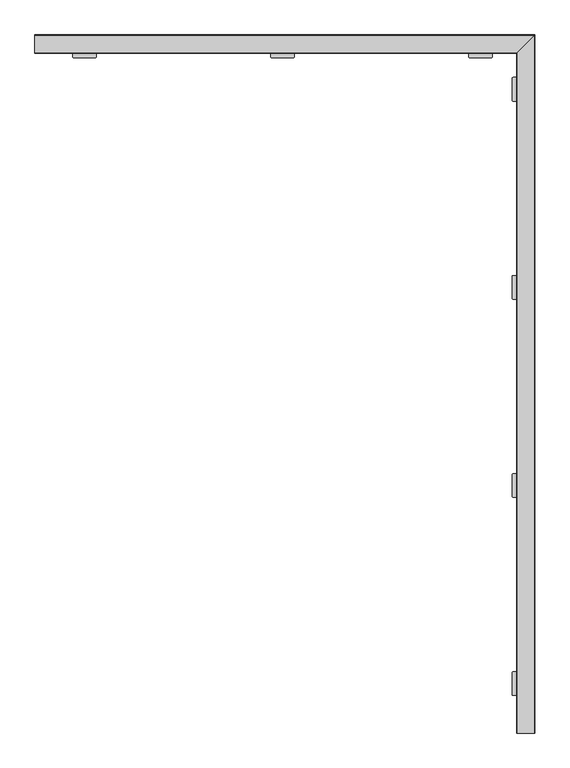
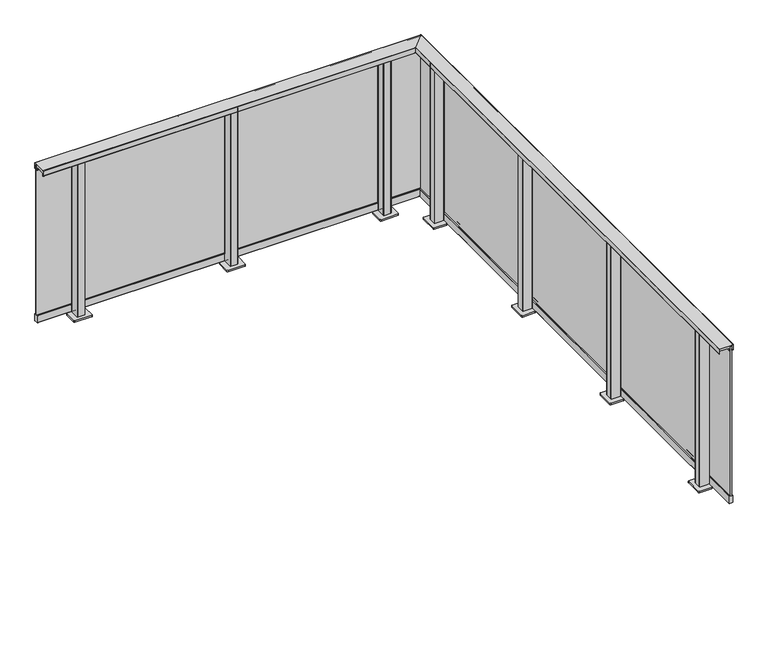
"""IFC4 building model written with IfcOpenShell, lengths in millimetres: railing geometry."""

from ifc_helpers import new_model, si_unit, point, frame, frame_2d, origin, origin_with_axes, place, context, project, spatial, polyline, circle_curve, ellipse_curve, trimmed, segment, composite_curve, outline, extrude, faceted_brep, source, transform, mapped, element, save
from ifc_brep_helpers import plane_surface, cylinder_surface, revolved_surface, advanced_brep


def railing_6e106d45(model_context):
    return source(origin(), model_context, "Body", "SolidModel", [
        advanced_brep(
        [(9323.9625786, -14629.5008183, 1100.0), (9323.4625786, -14629.5008183, 1099.5), (9323.4625786, -14629.5008183, 1065.5384355), (9323.9625786, -14629.5008183, 1065.0384355), (9325.4625786, -14629.5008183, 1065.0384355), (9325.4625786, -14629.5008183, 1084.0), (9391.4566873, -14629.5008183, 1084.0), (9391.4566873, -14629.5008183, 1065.0590672), (9394.2566873, -14629.5008183, 1065.0590672), (9394.2566873, -14629.5008183, 1066.2590672), (9393.4566873, -14629.5008183, 1066.2590672), (9393.4566873, -14629.5008183, 1097.5), (9393.9566873, -14629.5008183, 1098.0), (9410.9625786, -14629.5008183, 1098.0), (9411.4625786, -14629.5008183, 1097.5), (9411.4625786, -14629.5008183, 1066.2590672), (9410.6625786, -14629.5008183, 1066.2590672), (9410.6625786, -14629.5008183, 1065.0590672), (9414.9625786, -14629.5008183, 1065.0590672), (9415.4625786, -14629.5008183, 1065.5590672), (9415.4625786, -14629.5008183, 1099.5), (9414.9625786, -14629.5008183, 1100.0), (9323.9625786, -11196.5202365, 1100.0), (9323.4625786, -11197.0202365, 1099.5), (9323.4625786, -11197.0202365, 1065.5384355), (9323.9625786, -11196.5202365, 1065.0384355), (9325.4625786, -11195.0202365, 1065.0384355), (9325.4625786, -11195.0202365, 1084.0), (9391.4566873, -11129.0261277, 1084.0), (9391.4566873, -11129.0261277, 1065.0590672), (9394.2566873, -11126.2261277, 1065.0590672), (9394.2566873, -11126.2261277, 1066.2590672), (9393.4566873, -11127.0261277, 1066.2590672), (9393.4566873, -11127.0261277, 1097.5), (9393.9566873, -11126.5261277, 1098.0), (9410.9625786, -11109.5202365, 1098.0), (9411.4625786, -11109.0202365, 1097.5), (9411.4625786, -11109.0202365, 1066.2590672), (9410.6625786, -11109.8202365, 1066.2590672), (9410.6625786, -11109.8202365, 1065.0590672), (9414.9625786, -11105.5202365, 1065.0590672), (9415.4625786, -11105.0202365, 1065.5590672), (9415.4625786, -11105.0202365, 1099.5), (9414.9625786, -11105.5202365, 1100.0), (6890.9819967, -11196.5202365, 1100.0), (6890.9819967, -11105.5202365, 1100.0), (6890.9819967, -11105.0202365, 1099.5), (6890.9819967, -11105.0202365, 1065.5590672), (6890.9819967, -11105.5202365, 1065.0590672), (6890.9819967, -11109.8202365, 1065.0590672), (6890.9819967, -11109.8202365, 1066.2590672), (6890.9819967, -11109.0202365, 1066.2590672), (6890.9819967, -11109.0202365, 1097.5), (6890.9819967, -11109.5202365, 1098.0), (6890.9819967, -11126.5261277, 1098.0), (6890.9819967, -11127.0261277, 1097.5), (6890.9819967, -11127.0261277, 1066.2590672), (6890.9819967, -11126.2261277, 1066.2590672), (6890.9819967, -11126.2261277, 1065.0590672), (6890.9819967, -11129.0261277, 1065.0590672), (6890.9819967, -11129.0261277, 1084.0), (6890.9819967, -11195.0202365, 1084.0), (6890.9819967, -11195.0202365, 1065.0384355), (6890.9819967, -11196.5202365, 1065.0384355), (6890.9819967, -11197.0202365, 1065.5384355), (6890.9819967, -11197.0202365, 1099.5)],
        [
            (0, 1, circle_curve(frame((9323.9625786, -14629.5008183, 1099.5), z_axis=(0.0, -1.0, 0.0), x_axis=(1.0, 0.0, 0.0)), 0.5)),
            (1, 2),
            (2, 3, circle_curve(frame((9323.9625786, -14629.5008183, 1065.5384355), z_axis=(0.0, -1.0, 0.0), x_axis=(1.0, 0.0, 0.0)), 0.5)),
            (3, 4),
            (4, 5),
            (5, 6),
            (6, 7),
            (7, 8),
            (8, 9),
            (9, 10),
            (10, 11),
            (11, 12, circle_curve(frame((9393.9566873, -14629.5008183, 1097.5), z_axis=(0.0, 1.0, 0.0), x_axis=(1.0, 0.0, 0.0)), 0.5)),
            (12, 13),
            (13, 14, circle_curve(frame((9410.9625786, -14629.5008183, 1097.5), z_axis=(0.0, 1.0, 0.0), x_axis=(1.0, 0.0, 0.0)), 0.5)),
            (14, 15),
            (15, 16),
            (16, 17),
            (17, 18),
            (18, 19, circle_curve(frame((9414.9625786, -14629.5008183, 1065.5590672), z_axis=(0.0, -1.0, 0.0), x_axis=(1.0, 0.0, 0.0)), 0.5)),
            (19, 20),
            (20, 21, circle_curve(frame((9414.9625786, -14629.5008183, 1099.5), z_axis=(0.0, -1.0, 0.0), x_axis=(1.0, 0.0, 0.0)), 0.5)),
            (21, 0),
            (0, 22),
            (22, 23, ellipse_curve(frame((9323.9625786, -11196.5202365, 1099.5), z_axis=(0.7071067811865467, -0.7071067811865482, 0.0), x_axis=(-0.7071067811865482, -0.7071067811865469, 0.0)), 0.7071068, 0.5)),
            (23, 1),
            (23, 24),
            (24, 2),
            (24, 25, ellipse_curve(frame((9323.9625786, -11196.5202365, 1065.5384355), z_axis=(0.7071067811865467, -0.7071067811865482, 0.0), x_axis=(-0.7071067811865482, -0.7071067811865469, 0.0)), 0.7071068, 0.5)),
            (25, 3),
            (25, 26),
            (26, 4),
            (26, 27),
            (27, 5),
            (27, 28),
            (28, 6),
            (28, 29),
            (29, 7),
            (29, 30),
            (30, 8),
            (30, 31),
            (31, 9),
            (31, 32),
            (32, 10),
            (32, 33),
            (33, 11),
            (33, 34, ellipse_curve(frame((9393.9566873, -11126.5261277, 1097.5), z_axis=(-0.7071067811865467, 0.7071067811865482, 0.0), x_axis=(0.7071067811865482, 0.7071067811865469, 0.0)), 0.7071068, 0.5)),
            (34, 12),
            (34, 35),
            (35, 13),
            (35, 36, ellipse_curve(frame((9410.9625786, -11109.5202365, 1097.5), z_axis=(-0.7071067811865467, 0.7071067811865482, 0.0), x_axis=(0.7071067811865482, 0.7071067811865469, 0.0)), 0.7071068, 0.5)),
            (36, 14),
            (36, 37),
            (37, 15),
            (37, 38),
            (38, 16),
            (38, 39),
            (39, 17),
            (39, 40),
            (40, 18),
            (40, 41, ellipse_curve(frame((9414.9625786, -11105.5202365, 1065.5590672), z_axis=(0.7071067811865467, -0.7071067811865482, 0.0), x_axis=(-0.7071067811865482, -0.7071067811865469, 0.0)), 0.7071068, 0.5)),
            (41, 19),
            (41, 42),
            (42, 20),
            (42, 43, ellipse_curve(frame((9414.9625786, -11105.5202365, 1099.5), z_axis=(0.7071067811865467, -0.7071067811865482, 0.0), x_axis=(-0.7071067811865482, -0.7071067811865469, 0.0)), 0.7071068, 0.5)),
            (43, 21),
            (43, 22),
            (44, 45),
            (45, 46, circle_curve(frame((6890.9819967, -11105.5202365, 1099.5), z_axis=(-1.0, 0.0, 0.0), x_axis=(0.0, 1.0, 0.0)), 0.5)),
            (46, 47),
            (47, 48, circle_curve(frame((6890.9819967, -11105.5202365, 1065.5590672), z_axis=(-1.0, 0.0, 0.0), x_axis=(0.0, 1.0, 0.0)), 0.5)),
            (48, 49),
            (49, 50),
            (50, 51),
            (51, 52),
            (52, 53, circle_curve(frame((6890.9819967, -11109.5202365, 1097.5), z_axis=(1.0, 0.0, 0.0), x_axis=(0.0, 1.0, 0.0)), 0.5)),
            (53, 54),
            (54, 55, circle_curve(frame((6890.9819967, -11126.5261277, 1097.5), z_axis=(1.0, 0.0, 0.0), x_axis=(0.0, 1.0, 0.0)), 0.5)),
            (55, 56),
            (56, 57),
            (57, 58),
            (58, 59),
            (59, 60),
            (60, 61),
            (61, 62),
            (62, 63),
            (63, 64, circle_curve(frame((6890.9819967, -11196.5202365, 1065.5384355), z_axis=(-1.0, 0.0, 0.0), x_axis=(0.0, 1.0, 0.0)), 0.5)),
            (64, 65),
            (65, 44, circle_curve(frame((6890.9819967, -11196.5202365, 1099.5), z_axis=(-1.0, 0.0, 0.0), x_axis=(0.0, 1.0, 0.0)), 0.5)),
            (22, 44),
            (65, 23),
            (64, 24),
            (63, 25),
            (62, 26),
            (61, 27),
            (60, 28),
            (59, 29),
            (58, 30),
            (57, 31),
            (56, 32),
            (55, 33),
            (54, 34),
            (53, 35),
            (52, 36),
            (51, 37),
            (50, 38),
            (49, 39),
            (48, 40),
            (47, 41),
            (46, 42),
            (45, 43),
        ],
        [
            plane_surface(frame((9360.4819967, -14629.5008183, 1100.0), z_axis=(0.0, -1.0, 0.0), x_axis=(0.0, 0.0, 1.0))),
            cylinder_surface(frame((9323.9625786, -14629.5008183, 1099.5), z_axis=(0.0, -1.0, 0.0), x_axis=(1.0, 0.0, 0.0)), 0.5),
            plane_surface(frame((9323.4625786, -14629.5008183, 1099.5), z_axis=(-1.0, 0.0, 0.0), x_axis=(0.0, 1.0, 0.0))),
            cylinder_surface(frame((9323.9625786, -14629.5008183, 1065.5384355), z_axis=(0.0, -1.0, 0.0), x_axis=(1.0, 0.0, 0.0)), 0.5),
            plane_surface(frame((9323.9625786, -14629.5008183, 1065.0384355), z_axis=(0.0, 0.0, -1.0), x_axis=(0.0, 1.0, 0.0))),
            plane_surface(frame((9325.4625786, -14629.5008183, 1065.0384355), z_axis=(1.0, 0.0, 0.0), x_axis=(0.0, 1.0, 0.0))),
            plane_surface(frame((9325.4625786, -14629.5008183, 1084.0), z_axis=(0.0, 0.0, -1.0), x_axis=(0.0, 1.0, 0.0))),
            plane_surface(frame((9391.4566873, -14629.5008183, 1084.0), z_axis=(-1.0, 0.0, 0.0), x_axis=(0.0, 1.0, 0.0))),
            plane_surface(frame((9391.4566873, -14629.5008183, 1065.0590672), z_axis=(0.0, 0.0, -1.0), x_axis=(0.0, 1.0, 0.0))),
            plane_surface(frame((9394.2566873, -14629.5008183, 1065.0590672), z_axis=(1.0, 0.0, 0.0), x_axis=(0.0, 1.0, 0.0))),
            plane_surface(frame((9394.2566873, -14629.5008183, 1066.2590672), z_axis=(0.0, 0.0, 1.0), x_axis=(0.0, 1.0, 0.0))),
            plane_surface(frame((9393.4566873, -14629.5008183, 1066.2590672), z_axis=(1.0, 0.0, 0.0), x_axis=(0.0, 1.0, 0.0))),
            revolved_surface(polyline([(9394.4566873, -11126.026127686699, 1097.5), (9394.4566873, -14629.5008183, 1097.5)]), (9393.9566873, -14629.5008183, 1097.5), (0.0, 1.0, 0.0)),
            plane_surface(frame((9393.9566873, -14629.5008183, 1098.0), z_axis=(0.0, 0.0, -1.0), x_axis=(0.0, 1.0, 0.0))),
            revolved_surface(polyline([(9411.4625786, -11109.020236486696, 1097.5), (9411.4625786, -14629.5008183, 1097.5)]), (9410.9625786, -14629.5008183, 1097.5), (0.0, 1.0, 0.0)),
            plane_surface(frame((9411.4625786, -14629.5008183, 1097.5), z_axis=(-1.0, 0.0, 0.0), x_axis=(0.0, 1.0, 0.0))),
            plane_surface(frame((9411.4625786, -14629.5008183, 1066.2590672), z_axis=(0.0, 0.0, 1.0), x_axis=(0.0, 1.0, 0.0))),
            plane_surface(frame((9410.6625786, -14629.5008183, 1066.2590672), z_axis=(-1.0, 0.0, 0.0), x_axis=(0.0, 1.0, 0.0))),
            plane_surface(frame((9410.6625786, -14629.5008183, 1065.0590672), z_axis=(0.0, 0.0, -1.0), x_axis=(0.0, 1.0, 0.0))),
            cylinder_surface(frame((9414.9625786, -14629.5008183, 1065.5590672), z_axis=(0.0, -1.0, 0.0), x_axis=(1.0, 0.0, 0.0)), 0.5),
            plane_surface(frame((9415.4625786, -14629.5008183, 1065.5590672), z_axis=(1.0, 0.0, 0.0), x_axis=(0.0, 1.0, 0.0))),
            cylinder_surface(frame((9414.9625786, -14629.5008183, 1099.5), z_axis=(0.0, -1.0, 0.0), x_axis=(1.0, 0.0, 0.0)), 0.5),
            plane_surface(frame((9414.9625786, -14629.5008183, 1100.0), z_axis=(0.0, 0.0, 1.0), x_axis=(0.0, 1.0, 0.0))),
            plane_surface(frame((6890.9819967, -11160.0008183, 1100.0), z_axis=(-1.0, 0.0, 0.0), x_axis=(0.0, -1.0, 0.0))),
            cylinder_surface(frame((9360.4819967, -11196.5202365, 1099.5), z_axis=(1.0, 0.0, 0.0), x_axis=(0.0, 1.0, 0.0)), 0.5),
            plane_surface(frame((9323.4625786, -11197.0202365, 1099.5), z_axis=(0.0, -1.0, 0.0), x_axis=(-1.0, 0.0, 0.0))),
            cylinder_surface(frame((9360.4819967, -11196.5202365, 1065.5384355), z_axis=(1.0, 0.0, 0.0), x_axis=(0.0, 1.0, 0.0)), 0.5),
            plane_surface(frame((9323.9625786, -11196.5202365, 1065.0384355), z_axis=(0.0, 0.0, -1.0), x_axis=(-1.0, 0.0, 0.0))),
            plane_surface(frame((9325.4625786, -11195.0202365, 1065.0384355), z_axis=(0.0, 1.0, 0.0), x_axis=(-1.0, 0.0, 0.0))),
            plane_surface(frame((9325.4625786, -11195.0202365, 1084.0), z_axis=(0.0, 0.0, -1.0), x_axis=(-1.0, 0.0, 0.0))),
            plane_surface(frame((9391.4566873, -11129.0261277, 1084.0), z_axis=(0.0, -1.0, 0.0), x_axis=(-1.0, 0.0, 0.0))),
            plane_surface(frame((9391.4566873, -11129.0261277, 1065.0590672), z_axis=(0.0, 0.0, -1.0), x_axis=(-1.0, 0.0, 0.0))),
            plane_surface(frame((9394.2566873, -11126.2261277, 1065.0590672), z_axis=(0.0, 1.0, 0.0), x_axis=(-1.0, 0.0, 0.0))),
            plane_surface(frame((9394.2566873, -11126.2261277, 1066.2590672), z_axis=(0.0, 0.0, 1.0), x_axis=(-1.0, 0.0, 0.0))),
            plane_surface(frame((9393.4566873, -11127.0261277, 1066.2590672), z_axis=(0.0, 1.0, 0.0), x_axis=(-1.0, 0.0, 0.0))),
            revolved_surface(polyline([(6890.9819967, -11126.0261277, 1097.5), (9394.456687313303, -11126.0261277, 1097.5)]), (9360.4819967, -11126.5261277, 1097.5), (-1.0, 0.0, 0.0)),
            plane_surface(frame((9393.9566873, -11126.5261277, 1098.0), z_axis=(0.0, 0.0, -1.0), x_axis=(-1.0, 0.0, 0.0))),
            revolved_surface(polyline([(6890.9819967, -11109.0202365, 1097.5), (9411.462578613302, -11109.0202365, 1097.5)]), (9360.4819967, -11109.5202365, 1097.5), (-1.0, 0.0, 0.0)),
            plane_surface(frame((9411.4625786, -11109.0202365, 1097.5), z_axis=(0.0, -1.0, 0.0), x_axis=(-1.0, 0.0, 0.0))),
            plane_surface(frame((9411.4625786, -11109.0202365, 1066.2590672), z_axis=(0.0, 0.0, 1.0), x_axis=(-1.0, 0.0, 0.0))),
            plane_surface(frame((9410.6625786, -11109.8202365, 1066.2590672), z_axis=(0.0, -1.0, 0.0), x_axis=(-1.0, 0.0, 0.0))),
            plane_surface(frame((9410.6625786, -11109.8202365, 1065.0590672), z_axis=(0.0, 0.0, -1.0), x_axis=(-1.0, 0.0, 0.0))),
            cylinder_surface(frame((9360.4819967, -11105.5202365, 1065.5590672), z_axis=(1.0, 0.0, 0.0), x_axis=(0.0, 1.0, 0.0)), 0.5),
            plane_surface(frame((9415.4625786, -11105.0202365, 1065.5590672), z_axis=(0.0, 1.0, 0.0), x_axis=(-1.0, 0.0, 0.0))),
            cylinder_surface(frame((9360.4819967, -11105.5202365, 1099.5), z_axis=(1.0, 0.0, 0.0), x_axis=(0.0, 1.0, 0.0)), 0.5),
            plane_surface(frame((9414.9625786, -11105.5202365, 1100.0), z_axis=(0.0, 0.0, 1.0), x_axis=(-1.0, 0.0, 0.0))),
        ],
        [
            (0, [[1, 2, 3, 4, 5, 6, 7, 8, 9, 10, 11, 12, 13, 14, 15, 16, 17, 18, 19, 20, 21, 22]]),
            (1, [[-1, 23, 24, 25]]),
            (2, [[-2, -25, 26, 27]]),
            (3, [[-3, -27, 28, 29]]),
            (4, [[-4, -29, 30, 31]]),
            (5, [[-5, -31, 32, 33]]),
            (6, [[-6, -33, 34, 35]]),
            (7, [[-7, -35, 36, 37]]),
            (8, [[-8, -37, 38, 39]]),
            (9, [[-9, -39, 40, 41]]),
            (10, [[-10, -41, 42, 43]]),
            (11, [[-11, -43, 44, 45]]),
            (12, [[-12, -45, 46, 47]]),
            (13, [[-13, -47, 48, 49]]),
            (14, [[-14, -49, 50, 51]]),
            (15, [[-15, -51, 52, 53]]),
            (16, [[-16, -53, 54, 55]]),
            (17, [[-17, -55, 56, 57]]),
            (18, [[-18, -57, 58, 59]]),
            (19, [[-19, -59, 60, 61]]),
            (20, [[-20, -61, 62, 63]]),
            (21, [[-21, -63, 64, 65]]),
            (22, [[-22, -65, 66, -23]]),
            (23, [[67, 68, 69, 70, 71, 72, 73, 74, 75, 76, 77, 78, 79, 80, 81, 82, 83, 84, 85, 86, 87, 88]]),
            (24, [[-24, 89, -88, 90]]),
            (25, [[-26, -90, -87, 91]]),
            (26, [[-28, -91, -86, 92]]),
            (27, [[-30, -92, -85, 93]]),
            (28, [[-32, -93, -84, 94]]),
            (29, [[-34, -94, -83, 95]]),
            (30, [[-36, -95, -82, 96]]),
            (31, [[-38, -96, -81, 97]]),
            (32, [[-40, -97, -80, 98]]),
            (33, [[-42, -98, -79, 99]]),
            (34, [[-44, -99, -78, 100]]),
            (35, [[-46, -100, -77, 101]]),
            (36, [[-48, -101, -76, 102]]),
            (37, [[-50, -102, -75, 103]]),
            (38, [[-52, -103, -74, 104]]),
            (39, [[-54, -104, -73, 105]]),
            (40, [[-56, -105, -72, 106]]),
            (41, [[-58, -106, -71, 107]]),
            (42, [[-60, -107, -70, 108]]),
            (43, [[-62, -108, -69, 109]]),
            (44, [[-64, -109, -68, 110]]),
            (45, [[-66, -110, -67, -89]]),
        ],
    ),
        faceted_brep([(9406.4819967, -14629.5008183, 1090.0), (9398.4819967, -14629.5008183, 1090.0), (9398.4819967, -14629.5008183, 60.0), (9406.4819967, -14629.5008183, 60.0), (9406.4819967, -11114.0008183, 1090.0), (9398.4819967, -11122.0008183, 1090.0), (9398.4819967, -11122.0008183, 60.0), (9406.4819967, -11114.0008183, 60.0), (6890.9819967, -11114.0008183, 1090.0), (6890.9819967, -11114.0008183, 60.0), (6890.9819967, -11122.0008183, 60.0), (6890.9819967, -11122.0008183, 1090.0)], [[[0, 1, 2, 3]], [[1, 0, 4, 5]], [[2, 1, 5, 6]], [[3, 2, 6, 7]], [[0, 3, 7, 4]], [[8, 9, 10, 11]], [[5, 4, 8, 11]], [[6, 5, 11, 10]], [[7, 6, 10, 9]], [[4, 7, 9, 8]]]),
        faceted_brep([(9393.1692541, -14629.5008183, 1065.2160621), (9392.1441664, -14629.5008183, 1065.2160621), (9392.1441664, -14629.5008183, 1063.6627783), (9398.4819967, -14629.5008183, 1061.8454347), (9398.4819967, -14629.5008183, 1072.0), (9393.1692541, -14629.5008183, 1074.1464874), (9393.1692541, -11127.313561, 1065.2160621), (9392.1441664, -11128.3386487, 1065.2160621), (9392.1441664, -11128.3386487, 1063.6627783), (9398.4819967, -11122.0008183, 1061.8454347), (9398.4819967, -11122.0008183, 1072.0), (9393.1692541, -11127.313561, 1074.1464874), (6890.9819967, -11127.313561, 1065.2160621), (6890.9819967, -11127.313561, 1074.1464874), (6890.9819967, -11122.0008183, 1072.0), (6890.9819967, -11122.0008183, 1061.8454347), (6890.9819967, -11128.3386487, 1063.6627783), (6890.9819967, -11128.3386487, 1065.2160621)], [[[0, 1, 2, 3, 4, 5]], [[1, 0, 6, 7]], [[2, 1, 7, 8]], [[3, 2, 8, 9]], [[4, 3, 9, 10]], [[5, 4, 10, 11]], [[0, 5, 11, 6]], [[12, 13, 14, 15, 16, 17]], [[7, 6, 12, 17]], [[8, 7, 17, 16]], [[9, 8, 16, 15]], [[10, 9, 15, 14]], [[11, 10, 14, 13]], [[6, 11, 13, 12]]]),
        faceted_brep([(9411.7947394, -14629.5008183, 1065.2160621), (9411.7947394, -14629.5008183, 1074.1464874), (9406.4819967, -14629.5008183, 1072.0), (9406.4819967, -14629.5008183, 1061.8454347), (9412.8198271, -14629.5008183, 1063.6627783), (9412.8198271, -14629.5008183, 1065.2160621), (9411.7947394, -11108.6880757, 1065.2160621), (9411.7947394, -11108.6880757, 1074.1464874), (9406.4819967, -11114.0008183, 1072.0), (9406.4819967, -11114.0008183, 1061.8454347), (9412.8198271, -11107.662988, 1063.6627783), (9412.8198271, -11107.662988, 1065.2160621), (6890.9819967, -11108.6880757, 1065.2160621), (6890.9819967, -11107.662988, 1065.2160621), (6890.9819967, -11107.662988, 1063.6627783), (6890.9819967, -11114.0008183, 1061.8454347), (6890.9819967, -11114.0008183, 1072.0), (6890.9819967, -11108.6880757, 1074.1464874)], [[[0, 1, 2, 3, 4, 5]], [[1, 0, 6, 7]], [[2, 1, 7, 8]], [[3, 2, 8, 9]], [[4, 3, 9, 10]], [[5, 4, 10, 11]], [[0, 5, 11, 6]], [[12, 13, 14, 15, 16, 17]], [[7, 6, 12, 17]], [[8, 7, 17, 16]], [[9, 8, 16, 15]], [[10, 9, 15, 14]], [[11, 10, 14, 13]], [[6, 11, 13, 12]]]),
        advanced_brep(
        [(9413.9819967, -14629.5008183, 10.0), (9414.4819967, -14629.5008183, 10.5), (9414.4819967, -14629.5008183, 59.5), (9413.9819967, -14629.5008183, 60.0), (9390.9819967, -14629.5008183, 60.0), (9390.4819967, -14629.5008183, 59.5), (9390.4819967, -14629.5008183, 10.5), (9390.9819967, -14629.5008183, 10.0), (9413.9819967, -11106.5008183, 10.0), (9414.4819967, -11106.0008183, 10.5), (9414.4819967, -11106.0008183, 59.5), (9413.9819967, -11106.5008183, 60.0), (9390.9819967, -11129.5008183, 60.0), (9390.4819967, -11130.0008183, 59.5), (9390.4819967, -11130.0008183, 10.5), (9390.9819967, -11129.5008183, 10.0), (6890.9819967, -11106.5008183, 10.0), (6890.9819967, -11129.5008183, 10.0), (6890.9819967, -11130.0008183, 10.5), (6890.9819967, -11130.0008183, 59.5), (6890.9819967, -11129.5008183, 60.0), (6890.9819967, -11106.5008183, 60.0), (6890.9819967, -11106.0008183, 59.5), (6890.9819967, -11106.0008183, 10.5)],
        [
            (0, 1, circle_curve(frame((9413.9819967, -14629.5008183, 10.5), z_axis=(0.0, -1.0, 0.0), x_axis=(1.0, 0.0, 0.0)), 0.5)),
            (1, 2),
            (2, 3, circle_curve(frame((9413.9819967, -14629.5008183, 59.5), z_axis=(0.0, -1.0, 0.0), x_axis=(1.0, 0.0, 0.0)), 0.5)),
            (3, 4),
            (4, 5, circle_curve(frame((9390.9819967, -14629.5008183, 59.5), z_axis=(0.0, -1.0, 0.0), x_axis=(1.0, 0.0, 0.0)), 0.5)),
            (5, 6),
            (6, 7, circle_curve(frame((9390.9819967, -14629.5008183, 10.5), z_axis=(0.0, -1.0, 0.0), x_axis=(1.0, 0.0, 0.0)), 0.5)),
            (7, 0),
            (0, 8),
            (8, 9, ellipse_curve(frame((9413.9819967, -11106.5008183, 10.5), z_axis=(0.7071067811865467, -0.7071067811865482, 0.0), x_axis=(-0.7071067811865482, -0.7071067811865469, 0.0)), 0.7071068, 0.5)),
            (9, 1),
            (9, 10),
            (10, 2),
            (10, 11, ellipse_curve(frame((9413.9819967, -11106.5008183, 59.5), z_axis=(0.7071067811865467, -0.7071067811865482, 0.0), x_axis=(-0.7071067811865482, -0.7071067811865469, 0.0)), 0.7071068, 0.5)),
            (11, 3),
            (11, 12),
            (12, 4),
            (12, 13, ellipse_curve(frame((9390.9819967, -11129.5008183, 59.5), z_axis=(0.7071067811865467, -0.7071067811865482, 0.0), x_axis=(-0.7071067811865482, -0.7071067811865469, 0.0)), 0.7071068, 0.5)),
            (13, 5),
            (13, 14),
            (14, 6),
            (14, 15, ellipse_curve(frame((9390.9819967, -11129.5008183, 10.5), z_axis=(0.7071067811865467, -0.7071067811865482, 0.0), x_axis=(-0.7071067811865482, -0.7071067811865469, 0.0)), 0.7071068, 0.5)),
            (15, 7),
            (15, 8),
            (16, 17),
            (17, 18, circle_curve(frame((6890.9819967, -11129.5008183, 10.5), z_axis=(-1.0, 0.0, 0.0), x_axis=(0.0, 1.0, 0.0)), 0.5)),
            (18, 19),
            (19, 20, circle_curve(frame((6890.9819967, -11129.5008183, 59.5), z_axis=(-1.0, 0.0, 0.0), x_axis=(0.0, 1.0, 0.0)), 0.5)),
            (20, 21),
            (21, 22, circle_curve(frame((6890.9819967, -11106.5008183, 59.5), z_axis=(-1.0, 0.0, 0.0), x_axis=(0.0, 1.0, 0.0)), 0.5)),
            (22, 23),
            (23, 16, circle_curve(frame((6890.9819967, -11106.5008183, 10.5), z_axis=(-1.0, 0.0, 0.0), x_axis=(0.0, 1.0, 0.0)), 0.5)),
            (8, 16),
            (23, 9),
            (22, 10),
            (21, 11),
            (20, 12),
            (19, 13),
            (18, 14),
            (17, 15),
        ],
        [
            plane_surface(frame((9402.4819967, -14629.5008183, 10.0), z_axis=(0.0, -1.0, 0.0), x_axis=(0.0, 0.0, 1.0))),
            cylinder_surface(frame((9413.9819967, -14629.5008183, 10.5), z_axis=(0.0, -1.0, 0.0), x_axis=(1.0, 0.0, 0.0)), 0.5),
            plane_surface(frame((9414.4819967, -14629.5008183, 10.5), z_axis=(1.0, 0.0, 0.0), x_axis=(0.0, 1.0, 0.0))),
            cylinder_surface(frame((9413.9819967, -14629.5008183, 59.5), z_axis=(0.0, -1.0, 0.0), x_axis=(1.0, 0.0, 0.0)), 0.5),
            plane_surface(frame((9413.9819967, -14629.5008183, 60.0), z_axis=(0.0, 0.0, 1.0), x_axis=(0.0, 1.0, 0.0))),
            cylinder_surface(frame((9390.9819967, -14629.5008183, 59.5), z_axis=(0.0, -1.0, 0.0), x_axis=(1.0, 0.0, 0.0)), 0.5),
            plane_surface(frame((9390.4819967, -14629.5008183, 59.5), z_axis=(-1.0, 0.0, 0.0), x_axis=(0.0, 1.0, 0.0))),
            cylinder_surface(frame((9390.9819967, -14629.5008183, 10.5), z_axis=(0.0, -1.0, 0.0), x_axis=(1.0, 0.0, 0.0)), 0.5),
            plane_surface(frame((9390.9819967, -14629.5008183, 10.0), z_axis=(0.0, 0.0, -1.0), x_axis=(0.0, 1.0, 0.0))),
            plane_surface(frame((6890.9819967, -11118.0008183, 10.0), z_axis=(-1.0, 0.0, 0.0), x_axis=(0.0, -1.0, 0.0))),
            cylinder_surface(frame((9402.4819967, -11106.5008183, 10.5), z_axis=(1.0, 0.0, 0.0), x_axis=(0.0, 1.0, 0.0)), 0.5),
            plane_surface(frame((9414.4819967, -11106.0008183, 10.5), z_axis=(0.0, 1.0, 0.0), x_axis=(-1.0, 0.0, 0.0))),
            cylinder_surface(frame((9402.4819967, -11106.5008183, 59.5), z_axis=(1.0, 0.0, 0.0), x_axis=(0.0, 1.0, 0.0)), 0.5),
            plane_surface(frame((9413.9819967, -11106.5008183, 60.0), z_axis=(0.0, 0.0, 1.0), x_axis=(-1.0, 0.0, 0.0))),
            cylinder_surface(frame((9402.4819967, -11129.5008183, 59.5), z_axis=(1.0, 0.0, 0.0), x_axis=(0.0, 1.0, 0.0)), 0.5),
            plane_surface(frame((9390.4819967, -11130.0008183, 59.5), z_axis=(0.0, -1.0, 0.0), x_axis=(-1.0, 0.0, 0.0))),
            cylinder_surface(frame((9402.4819967, -11129.5008183, 10.5), z_axis=(1.0, 0.0, 0.0), x_axis=(0.0, 1.0, 0.0)), 0.5),
            plane_surface(frame((9390.9819967, -11129.5008183, 10.0), z_axis=(0.0, 0.0, -1.0), x_axis=(-1.0, 0.0, 0.0))),
        ],
        [
            (0, [[1, 2, 3, 4, 5, 6, 7, 8]]),
            (1, [[-1, 9, 10, 11]]),
            (2, [[-2, -11, 12, 13]]),
            (3, [[-3, -13, 14, 15]]),
            (4, [[-4, -15, 16, 17]]),
            (5, [[-5, -17, 18, 19]]),
            (6, [[-6, -19, 20, 21]]),
            (7, [[-7, -21, 22, 23]]),
            (8, [[-8, -23, 24, -9]]),
            (9, [[25, 26, 27, 28, 29, 30, 31, 32]]),
            (10, [[-10, 33, -32, 34]]),
            (11, [[-12, -34, -31, 35]]),
            (12, [[-14, -35, -30, 36]]),
            (13, [[-16, -36, -29, 37]]),
            (14, [[-18, -37, -28, 38]]),
            (15, [[-20, -38, -27, 39]]),
            (16, [[-22, -39, -26, 40]]),
            (17, [[-24, -40, -25, -33]]),
        ],
    ),
        extrude(outline(composite_curve([segment(trimmed(circle_curve(frame_2d((7163.5245384, -11192.0008183)), 2.5), [point((7166.0245384, -11192.0008183))], [point((7163.5245384, -11194.5008183))], False, "CARTESIAN"), True, "CONTINUOUS"), segment(polyline([(7163.5245384, -11194.5008183), (7118.5245384, -11194.5008183)]), True, "CONTINUOUS"), segment(trimmed(circle_curve(frame_2d((7118.5245384, -11192.0008183)), 2.5), [point((7118.5245384, -11194.5008183))], [point((7116.0245384, -11192.0008183))], False, "CARTESIAN"), True, "CONTINUOUS"), segment(polyline([(7116.0245384, -11192.0008183), (7116.0245384, -11132.0008183)]), True, "CONTINUOUS"), segment(trimmed(circle_curve(frame_2d((7118.5245384, -11132.0008183)), 2.5), [point((7116.0245384, -11132.0008183))], [point((7118.5245384, -11129.5008183))], False, "CARTESIAN"), True, "CONTINUOUS"), segment(polyline([(7118.5245384, -11129.5008183), (7163.5245384, -11129.5008183)]), True, "CONTINUOUS"), segment(trimmed(circle_curve(frame_2d((7163.5245384, -11132.0008183)), 2.5), [point((7163.5245384, -11129.5008183))], [point((7166.0245384, -11132.0008183))], False, "CARTESIAN"), True, "CONTINUOUS"), segment(polyline([(7166.0245384, -11132.0008183), (7166.0245384, -11192.0008183)]), True, "CONTINUOUS")], self_intersect=False)), frame((0.0, 0.0, 10.0), z_axis=(0.0, 0.0, 1.0), x_axis=(1.0, 0.0, 0.0)), (0.0, 0.0, 1.0), 1078.0384355),
        extrude(outline(composite_curve([segment(trimmed(circle_curve(frame_2d((7195.9819967, -11214.6061483)), 5.0), [point((7200.9819967, -11214.6061483))], [point((7195.9819967, -11219.6061483))], False, "CARTESIAN"), True, "CONTINUOUS"), segment(polyline([(7195.9819967, -11219.6061483), (7086.1755136, -11219.6061483)]), True, "CONTINUOUS"), segment(trimmed(circle_curve(frame_2d((7086.1755136, -11214.6061483)), 5.0), [point((7086.1755136, -11219.6061483))], [point((7081.1755136, -11214.6061483))], False, "CARTESIAN"), True, "CONTINUOUS"), segment(polyline([(7081.1755136, -11214.6061483), (7081.1755136, -11134.5008183)]), True, "CONTINUOUS"), segment(trimmed(circle_curve(frame_2d((7086.1755136, -11134.5008183)), 5.0), [point((7081.1755136, -11134.5008183))], [point((7086.1755136, -11129.5008183))], False, "CARTESIAN"), True, "CONTINUOUS"), segment(polyline([(7086.1755136, -11129.5008183), (7195.9819967, -11129.5008183)]), True, "CONTINUOUS"), segment(trimmed(circle_curve(frame_2d((7195.9819967, -11134.5008183)), 5.0), [point((7195.9819967, -11129.5008183))], [point((7200.9819967, -11134.5008183))], False, "CARTESIAN"), True, "CONTINUOUS"), segment(polyline([(7200.9819967, -11134.5008183), (7200.9819967, -11214.6061483)]), True, "CONTINUOUS")], self_intersect=False)), origin_with_axes(), (0.0, 0.0, 1.0), 10.0),
        extrude(outline(composite_curve([segment(trimmed(circle_curve(frame_2d((8163.5245384, -11192.0008183)), 2.5), [point((8166.0245384, -11192.0008183))], [point((8163.5245384, -11194.5008183))], False, "CARTESIAN"), True, "CONTINUOUS"), segment(polyline([(8163.5245384, -11194.5008183), (8118.5245384, -11194.5008183)]), True, "CONTINUOUS"), segment(trimmed(circle_curve(frame_2d((8118.5245384, -11192.0008183)), 2.5), [point((8118.5245384, -11194.5008183))], [point((8116.0245384, -11192.0008183))], False, "CARTESIAN"), True, "CONTINUOUS"), segment(polyline([(8116.0245384, -11192.0008183), (8116.0245384, -11132.0008183)]), True, "CONTINUOUS"), segment(trimmed(circle_curve(frame_2d((8118.5245384, -11132.0008183)), 2.5), [point((8116.0245384, -11132.0008183))], [point((8118.5245384, -11129.5008183))], False, "CARTESIAN"), True, "CONTINUOUS"), segment(polyline([(8118.5245384, -11129.5008183), (8163.5245384, -11129.5008183)]), True, "CONTINUOUS"), segment(trimmed(circle_curve(frame_2d((8163.5245384, -11132.0008183)), 2.5), [point((8163.5245384, -11129.5008183))], [point((8166.0245384, -11132.0008183))], False, "CARTESIAN"), True, "CONTINUOUS"), segment(polyline([(8166.0245384, -11132.0008183), (8166.0245384, -11192.0008183)]), True, "CONTINUOUS")], self_intersect=False)), frame((0.0, 0.0, 10.0), z_axis=(0.0, 0.0, 1.0), x_axis=(1.0, 0.0, 0.0)), (0.0, 0.0, 1.0), 1078.0384355),
        extrude(outline(composite_curve([segment(trimmed(circle_curve(frame_2d((8195.9819967, -11214.6061483)), 5.0), [point((8200.9819967, -11214.6061483))], [point((8195.9819967, -11219.6061483))], False, "CARTESIAN"), True, "CONTINUOUS"), segment(polyline([(8195.9819967, -11219.6061483), (8086.1755136, -11219.6061483)]), True, "CONTINUOUS"), segment(trimmed(circle_curve(frame_2d((8086.1755136, -11214.6061483)), 5.0), [point((8086.1755136, -11219.6061483))], [point((8081.1755136, -11214.6061483))], False, "CARTESIAN"), True, "CONTINUOUS"), segment(polyline([(8081.1755136, -11214.6061483), (8081.1755136, -11134.5008183)]), True, "CONTINUOUS"), segment(trimmed(circle_curve(frame_2d((8086.1755136, -11134.5008183)), 5.0), [point((8081.1755136, -11134.5008183))], [point((8086.1755136, -11129.5008183))], False, "CARTESIAN"), True, "CONTINUOUS"), segment(polyline([(8086.1755136, -11129.5008183), (8195.9819967, -11129.5008183)]), True, "CONTINUOUS"), segment(trimmed(circle_curve(frame_2d((8195.9819967, -11134.5008183)), 5.0), [point((8195.9819967, -11129.5008183))], [point((8200.9819967, -11134.5008183))], False, "CARTESIAN"), True, "CONTINUOUS"), segment(polyline([(8200.9819967, -11134.5008183), (8200.9819967, -11214.6061483)]), True, "CONTINUOUS")], self_intersect=False)), origin_with_axes(), (0.0, 0.0, 1.0), 10.0),
        extrude(outline(composite_curve([segment(trimmed(circle_curve(frame_2d((9163.5245384, -11192.0008183)), 2.5), [point((9166.0245384, -11192.0008183))], [point((9163.5245384, -11194.5008183))], False, "CARTESIAN"), True, "CONTINUOUS"), segment(polyline([(9163.5245384, -11194.5008183), (9118.5245384, -11194.5008183)]), True, "CONTINUOUS"), segment(trimmed(circle_curve(frame_2d((9118.5245384, -11192.0008183)), 2.5), [point((9118.5245384, -11194.5008183))], [point((9116.0245384, -11192.0008183))], False, "CARTESIAN"), True, "CONTINUOUS"), segment(polyline([(9116.0245384, -11192.0008183), (9116.0245384, -11132.0008183)]), True, "CONTINUOUS"), segment(trimmed(circle_curve(frame_2d((9118.5245384, -11132.0008183)), 2.5), [point((9116.0245384, -11132.0008183))], [point((9118.5245384, -11129.5008183))], False, "CARTESIAN"), True, "CONTINUOUS"), segment(polyline([(9118.5245384, -11129.5008183), (9163.5245384, -11129.5008183)]), True, "CONTINUOUS"), segment(trimmed(circle_curve(frame_2d((9163.5245384, -11132.0008183)), 2.5), [point((9163.5245384, -11129.5008183))], [point((9166.0245384, -11132.0008183))], False, "CARTESIAN"), True, "CONTINUOUS"), segment(polyline([(9166.0245384, -11132.0008183), (9166.0245384, -11192.0008183)]), True, "CONTINUOUS")], self_intersect=False)), frame((0.0, 0.0, 10.0), z_axis=(0.0, 0.0, 1.0), x_axis=(1.0, 0.0, 0.0)), (0.0, 0.0, 1.0), 1078.0384355),
        extrude(outline(composite_curve([segment(trimmed(circle_curve(frame_2d((9195.9819967, -11214.6061483)), 5.0), [point((9200.9819967, -11214.6061483))], [point((9195.9819967, -11219.6061483))], False, "CARTESIAN"), True, "CONTINUOUS"), segment(polyline([(9195.9819967, -11219.6061483), (9086.1755136, -11219.6061483)]), True, "CONTINUOUS"), segment(trimmed(circle_curve(frame_2d((9086.1755136, -11214.6061483)), 5.0), [point((9086.1755136, -11219.6061483))], [point((9081.1755136, -11214.6061483))], False, "CARTESIAN"), True, "CONTINUOUS"), segment(polyline([(9081.1755136, -11214.6061483), (9081.1755136, -11134.5008183)]), True, "CONTINUOUS"), segment(trimmed(circle_curve(frame_2d((9086.1755136, -11134.5008183)), 5.0), [point((9081.1755136, -11134.5008183))], [point((9086.1755136, -11129.5008183))], False, "CARTESIAN"), True, "CONTINUOUS"), segment(polyline([(9086.1755136, -11129.5008183), (9195.9819967, -11129.5008183)]), True, "CONTINUOUS"), segment(trimmed(circle_curve(frame_2d((9195.9819967, -11134.5008183)), 5.0), [point((9195.9819967, -11129.5008183))], [point((9200.9819967, -11134.5008183))], False, "CARTESIAN"), True, "CONTINUOUS"), segment(polyline([(9200.9819967, -11134.5008183), (9200.9819967, -11214.6061483)]), True, "CONTINUOUS")], self_intersect=False)), origin_with_axes(), (0.0, 0.0, 1.0), 10.0),
        extrude(outline(composite_curve([segment(trimmed(circle_curve(frame_2d((9328.4819967, -11402.04336)), 2.5), [point((9328.4819967, -11404.54336))], [point((9325.9819967, -11402.04336))], False, "CARTESIAN"), True, "CONTINUOUS"), segment(polyline([(9325.9819967, -11402.04336), (9325.9819967, -11357.04336)]), True, "CONTINUOUS"), segment(trimmed(circle_curve(frame_2d((9328.4819967, -11357.04336)), 2.5), [point((9325.9819967, -11357.04336))], [point((9328.4819967, -11354.54336))], False, "CARTESIAN"), True, "CONTINUOUS"), segment(polyline([(9328.4819967, -11354.54336), (9388.4819967, -11354.54336)]), True, "CONTINUOUS"), segment(trimmed(circle_curve(frame_2d((9388.4819967, -11357.04336)), 2.5), [point((9388.4819967, -11354.54336))], [point((9390.9819967, -11357.04336))], False, "CARTESIAN"), True, "CONTINUOUS"), segment(polyline([(9390.9819967, -11357.04336), (9390.9819967, -11402.04336)]), True, "CONTINUOUS"), segment(trimmed(circle_curve(frame_2d((9388.4819967, -11402.04336)), 2.5), [point((9390.9819967, -11402.04336))], [point((9388.4819967, -11404.54336))], False, "CARTESIAN"), True, "CONTINUOUS"), segment(polyline([(9388.4819967, -11404.54336), (9328.4819967, -11404.54336)]), True, "CONTINUOUS")], self_intersect=False)), frame((0.0, 0.0, 10.0), z_axis=(0.0, 0.0, 1.0), x_axis=(1.0, 0.0, 0.0)), (0.0, 0.0, 1.0), 1078.0384355),
        extrude(outline(composite_curve([segment(trimmed(circle_curve(frame_2d((9305.8766668, -11434.5008183)), 5.0), [point((9305.8766668, -11439.5008183))], [point((9300.8766668, -11434.5008183))], False, "CARTESIAN"), True, "CONTINUOUS"), segment(polyline([(9300.8766668, -11434.5008183), (9300.8766668, -11324.6943352)]), True, "CONTINUOUS"), segment(trimmed(circle_curve(frame_2d((9305.8766668, -11324.6943352)), 5.0), [point((9300.8766668, -11324.6943352))], [point((9305.8766668, -11319.6943352))], False, "CARTESIAN"), True, "CONTINUOUS"), segment(polyline([(9305.8766668, -11319.6943352), (9385.9819967, -11319.6943352)]), True, "CONTINUOUS"), segment(trimmed(circle_curve(frame_2d((9385.9819967, -11324.6943352)), 5.0), [point((9385.9819967, -11319.6943352))], [point((9390.9819967, -11324.6943352))], False, "CARTESIAN"), True, "CONTINUOUS"), segment(polyline([(9390.9819967, -11324.6943352), (9390.9819967, -11434.5008183)]), True, "CONTINUOUS"), segment(trimmed(circle_curve(frame_2d((9385.9819967, -11434.5008183)), 5.0), [point((9390.9819967, -11434.5008183))], [point((9385.9819967, -11439.5008183))], False, "CARTESIAN"), True, "CONTINUOUS"), segment(polyline([(9385.9819967, -11439.5008183), (9305.8766668, -11439.5008183)]), True, "CONTINUOUS")], self_intersect=False)), origin_with_axes(), (0.0, 0.0, 1.0), 10.0),
        extrude(outline(composite_curve([segment(trimmed(circle_curve(frame_2d((9328.4819967, -12402.04336)), 2.5), [point((9328.4819967, -12404.54336))], [point((9325.9819967, -12402.04336))], False, "CARTESIAN"), True, "CONTINUOUS"), segment(polyline([(9325.9819967, -12402.04336), (9325.9819967, -12357.04336)]), True, "CONTINUOUS"), segment(trimmed(circle_curve(frame_2d((9328.4819967, -12357.04336)), 2.5), [point((9325.9819967, -12357.04336))], [point((9328.4819967, -12354.54336))], False, "CARTESIAN"), True, "CONTINUOUS"), segment(polyline([(9328.4819967, -12354.54336), (9388.4819967, -12354.54336)]), True, "CONTINUOUS"), segment(trimmed(circle_curve(frame_2d((9388.4819967, -12357.04336)), 2.5), [point((9388.4819967, -12354.54336))], [point((9390.9819967, -12357.04336))], False, "CARTESIAN"), True, "CONTINUOUS"), segment(polyline([(9390.9819967, -12357.04336), (9390.9819967, -12402.04336)]), True, "CONTINUOUS"), segment(trimmed(circle_curve(frame_2d((9388.4819967, -12402.04336)), 2.5), [point((9390.9819967, -12402.04336))], [point((9388.4819967, -12404.54336))], False, "CARTESIAN"), True, "CONTINUOUS"), segment(polyline([(9388.4819967, -12404.54336), (9328.4819967, -12404.54336)]), True, "CONTINUOUS")], self_intersect=False)), frame((0.0, 0.0, 10.0), z_axis=(0.0, 0.0, 1.0), x_axis=(1.0, 0.0, 0.0)), (0.0, 0.0, 1.0), 1078.0384355),
        extrude(outline(composite_curve([segment(trimmed(circle_curve(frame_2d((9305.8766668, -12434.5008183)), 5.0), [point((9305.8766668, -12439.5008183))], [point((9300.8766668, -12434.5008183))], False, "CARTESIAN"), True, "CONTINUOUS"), segment(polyline([(9300.8766668, -12434.5008183), (9300.8766668, -12324.6943352)]), True, "CONTINUOUS"), segment(trimmed(circle_curve(frame_2d((9305.8766668, -12324.6943352)), 5.0), [point((9300.8766668, -12324.6943352))], [point((9305.8766668, -12319.6943352))], False, "CARTESIAN"), True, "CONTINUOUS"), segment(polyline([(9305.8766668, -12319.6943352), (9385.9819967, -12319.6943352)]), True, "CONTINUOUS"), segment(trimmed(circle_curve(frame_2d((9385.9819967, -12324.6943352)), 5.0), [point((9385.9819967, -12319.6943352))], [point((9390.9819967, -12324.6943352))], False, "CARTESIAN"), True, "CONTINUOUS"), segment(polyline([(9390.9819967, -12324.6943352), (9390.9819967, -12434.5008183)]), True, "CONTINUOUS"), segment(trimmed(circle_curve(frame_2d((9385.9819967, -12434.5008183)), 5.0), [point((9390.9819967, -12434.5008183))], [point((9385.9819967, -12439.5008183))], False, "CARTESIAN"), True, "CONTINUOUS"), segment(polyline([(9385.9819967, -12439.5008183), (9305.8766668, -12439.5008183)]), True, "CONTINUOUS")], self_intersect=False)), origin_with_axes(), (0.0, 0.0, 1.0), 10.0),
        extrude(outline(composite_curve([segment(trimmed(circle_curve(frame_2d((9328.4819967, -13402.04336)), 2.5), [point((9328.4819967, -13404.54336))], [point((9325.9819967, -13402.04336))], False, "CARTESIAN"), True, "CONTINUOUS"), segment(polyline([(9325.9819967, -13402.04336), (9325.9819967, -13357.04336)]), True, "CONTINUOUS"), segment(trimmed(circle_curve(frame_2d((9328.4819967, -13357.04336)), 2.5), [point((9325.9819967, -13357.04336))], [point((9328.4819967, -13354.54336))], False, "CARTESIAN"), True, "CONTINUOUS"), segment(polyline([(9328.4819967, -13354.54336), (9388.4819967, -13354.54336)]), True, "CONTINUOUS"), segment(trimmed(circle_curve(frame_2d((9388.4819967, -13357.04336)), 2.5), [point((9388.4819967, -13354.54336))], [point((9390.9819967, -13357.04336))], False, "CARTESIAN"), True, "CONTINUOUS"), segment(polyline([(9390.9819967, -13357.04336), (9390.9819967, -13402.04336)]), True, "CONTINUOUS"), segment(trimmed(circle_curve(frame_2d((9388.4819967, -13402.04336)), 2.5), [point((9390.9819967, -13402.04336))], [point((9388.4819967, -13404.54336))], False, "CARTESIAN"), True, "CONTINUOUS"), segment(polyline([(9388.4819967, -13404.54336), (9328.4819967, -13404.54336)]), True, "CONTINUOUS")], self_intersect=False)), frame((0.0, 0.0, 10.0), z_axis=(0.0, 0.0, 1.0), x_axis=(1.0, 0.0, 0.0)), (0.0, 0.0, 1.0), 1078.0384355),
        extrude(outline(composite_curve([segment(trimmed(circle_curve(frame_2d((9305.8766668, -13434.5008183)), 5.0), [point((9305.8766668, -13439.5008183))], [point((9300.8766668, -13434.5008183))], False, "CARTESIAN"), True, "CONTINUOUS"), segment(polyline([(9300.8766668, -13434.5008183), (9300.8766668, -13324.6943352)]), True, "CONTINUOUS"), segment(trimmed(circle_curve(frame_2d((9305.8766668, -13324.6943352)), 5.0), [point((9300.8766668, -13324.6943352))], [point((9305.8766668, -13319.6943352))], False, "CARTESIAN"), True, "CONTINUOUS"), segment(polyline([(9305.8766668, -13319.6943352), (9385.9819967, -13319.6943352)]), True, "CONTINUOUS"), segment(trimmed(circle_curve(frame_2d((9385.9819967, -13324.6943352)), 5.0), [point((9385.9819967, -13319.6943352))], [point((9390.9819967, -13324.6943352))], False, "CARTESIAN"), True, "CONTINUOUS"), segment(polyline([(9390.9819967, -13324.6943352), (9390.9819967, -13434.5008183)]), True, "CONTINUOUS"), segment(trimmed(circle_curve(frame_2d((9385.9819967, -13434.5008183)), 5.0), [point((9390.9819967, -13434.5008183))], [point((9385.9819967, -13439.5008183))], False, "CARTESIAN"), True, "CONTINUOUS"), segment(polyline([(9385.9819967, -13439.5008183), (9305.8766668, -13439.5008183)]), True, "CONTINUOUS")], self_intersect=False)), origin_with_axes(), (0.0, 0.0, 1.0), 10.0),
        extrude(outline(composite_curve([segment(trimmed(circle_curve(frame_2d((9328.4819967, -14402.04336)), 2.5), [point((9328.4819967, -14404.54336))], [point((9325.9819967, -14402.04336))], False, "CARTESIAN"), True, "CONTINUOUS"), segment(polyline([(9325.9819967, -14402.04336), (9325.9819967, -14357.04336)]), True, "CONTINUOUS"), segment(trimmed(circle_curve(frame_2d((9328.4819967, -14357.04336)), 2.5), [point((9325.9819967, -14357.04336))], [point((9328.4819967, -14354.54336))], False, "CARTESIAN"), True, "CONTINUOUS"), segment(polyline([(9328.4819967, -14354.54336), (9388.4819967, -14354.54336)]), True, "CONTINUOUS"), segment(trimmed(circle_curve(frame_2d((9388.4819967, -14357.04336)), 2.5), [point((9388.4819967, -14354.54336))], [point((9390.9819967, -14357.04336))], False, "CARTESIAN"), True, "CONTINUOUS"), segment(polyline([(9390.9819967, -14357.04336), (9390.9819967, -14402.04336)]), True, "CONTINUOUS"), segment(trimmed(circle_curve(frame_2d((9388.4819967, -14402.04336)), 2.5), [point((9390.9819967, -14402.04336))], [point((9388.4819967, -14404.54336))], False, "CARTESIAN"), True, "CONTINUOUS"), segment(polyline([(9388.4819967, -14404.54336), (9328.4819967, -14404.54336)]), True, "CONTINUOUS")], self_intersect=False)), frame((0.0, 0.0, 10.0), z_axis=(0.0, 0.0, 1.0), x_axis=(1.0, 0.0, 0.0)), (0.0, 0.0, 1.0), 1078.0384355),
        extrude(outline(composite_curve([segment(trimmed(circle_curve(frame_2d((9305.8766668, -14434.5008183)), 5.0), [point((9305.8766668, -14439.5008183))], [point((9300.8766668, -14434.5008183))], False, "CARTESIAN"), True, "CONTINUOUS"), segment(polyline([(9300.8766668, -14434.5008183), (9300.8766668, -14324.6943352)]), True, "CONTINUOUS"), segment(trimmed(circle_curve(frame_2d((9305.8766668, -14324.6943352)), 5.0), [point((9300.8766668, -14324.6943352))], [point((9305.8766668, -14319.6943352))], False, "CARTESIAN"), True, "CONTINUOUS"), segment(polyline([(9305.8766668, -14319.6943352), (9385.9819967, -14319.6943352)]), True, "CONTINUOUS"), segment(trimmed(circle_curve(frame_2d((9385.9819967, -14324.6943352)), 5.0), [point((9385.9819967, -14319.6943352))], [point((9390.9819967, -14324.6943352))], False, "CARTESIAN"), True, "CONTINUOUS"), segment(polyline([(9390.9819967, -14324.6943352), (9390.9819967, -14434.5008183)]), True, "CONTINUOUS"), segment(trimmed(circle_curve(frame_2d((9385.9819967, -14434.5008183)), 5.0), [point((9390.9819967, -14434.5008183))], [point((9385.9819967, -14439.5008183))], False, "CARTESIAN"), True, "CONTINUOUS"), segment(polyline([(9385.9819967, -14439.5008183), (9305.8766668, -14439.5008183)]), True, "CONTINUOUS")], self_intersect=False)), origin_with_axes(), (0.0, 0.0, 1.0), 10.0),
        extrude(outline(composite_curve([segment(trimmed(circle_curve(frame_2d((7163.5245384, -11192.0008183)), 2.5), [point((7166.0245384, -11192.0008183))], [point((7163.5245384, -11194.5008183))], False, "CARTESIAN"), True, "CONTINUOUS"), segment(polyline([(7163.5245384, -11194.5008183), (7118.5245384, -11194.5008183)]), True, "CONTINUOUS"), segment(trimmed(circle_curve(frame_2d((7118.5245384, -11192.0008183)), 2.5), [point((7118.5245384, -11194.5008183))], [point((7116.0245384, -11192.0008183))], False, "CARTESIAN"), True, "CONTINUOUS"), segment(polyline([(7116.0245384, -11192.0008183), (7116.0245384, -11132.0008183)]), True, "CONTINUOUS"), segment(trimmed(circle_curve(frame_2d((7118.5245384, -11132.0008183)), 2.5), [point((7116.0245384, -11132.0008183))], [point((7118.5245384, -11129.5008183))], False, "CARTESIAN"), True, "CONTINUOUS"), segment(polyline([(7118.5245384, -11129.5008183), (7163.5245384, -11129.5008183)]), True, "CONTINUOUS"), segment(trimmed(circle_curve(frame_2d((7163.5245384, -11132.0008183)), 2.5), [point((7163.5245384, -11129.5008183))], [point((7166.0245384, -11132.0008183))], False, "CARTESIAN"), True, "CONTINUOUS"), segment(polyline([(7166.0245384, -11132.0008183), (7166.0245384, -11192.0008183)]), True, "CONTINUOUS")], self_intersect=False)), frame((0.0, 0.0, 10.0), z_axis=(0.0, 0.0, 1.0), x_axis=(1.0, 0.0, 0.0)), (0.0, 0.0, 1.0), 1078.0384355),
        extrude(outline(composite_curve([segment(trimmed(circle_curve(frame_2d((7195.9819967, -11214.6061483)), 5.0), [point((7200.9819967, -11214.6061483))], [point((7195.9819967, -11219.6061483))], False, "CARTESIAN"), True, "CONTINUOUS"), segment(polyline([(7195.9819967, -11219.6061483), (7086.1755136, -11219.6061483)]), True, "CONTINUOUS"), segment(trimmed(circle_curve(frame_2d((7086.1755136, -11214.6061483)), 5.0), [point((7086.1755136, -11219.6061483))], [point((7081.1755136, -11214.6061483))], False, "CARTESIAN"), True, "CONTINUOUS"), segment(polyline([(7081.1755136, -11214.6061483), (7081.1755136, -11134.5008183)]), True, "CONTINUOUS"), segment(trimmed(circle_curve(frame_2d((7086.1755136, -11134.5008183)), 5.0), [point((7081.1755136, -11134.5008183))], [point((7086.1755136, -11129.5008183))], False, "CARTESIAN"), True, "CONTINUOUS"), segment(polyline([(7086.1755136, -11129.5008183), (7195.9819967, -11129.5008183)]), True, "CONTINUOUS"), segment(trimmed(circle_curve(frame_2d((7195.9819967, -11134.5008183)), 5.0), [point((7195.9819967, -11129.5008183))], [point((7200.9819967, -11134.5008183))], False, "CARTESIAN"), True, "CONTINUOUS"), segment(polyline([(7200.9819967, -11134.5008183), (7200.9819967, -11214.6061483)]), True, "CONTINUOUS")], self_intersect=False)), origin_with_axes(), (0.0, 0.0, 1.0), 10.0),
        extrude(outline(composite_curve([segment(trimmed(circle_curve(frame_2d((9328.4819967, -14402.04336)), 2.5), [point((9328.4819967, -14404.54336))], [point((9325.9819967, -14402.04336))], False, "CARTESIAN"), True, "CONTINUOUS"), segment(polyline([(9325.9819967, -14402.04336), (9325.9819967, -14357.04336)]), True, "CONTINUOUS"), segment(trimmed(circle_curve(frame_2d((9328.4819967, -14357.04336)), 2.5), [point((9325.9819967, -14357.04336))], [point((9328.4819967, -14354.54336))], False, "CARTESIAN"), True, "CONTINUOUS"), segment(polyline([(9328.4819967, -14354.54336), (9388.4819967, -14354.54336)]), True, "CONTINUOUS"), segment(trimmed(circle_curve(frame_2d((9388.4819967, -14357.04336)), 2.5), [point((9388.4819967, -14354.54336))], [point((9390.9819967, -14357.04336))], False, "CARTESIAN"), True, "CONTINUOUS"), segment(polyline([(9390.9819967, -14357.04336), (9390.9819967, -14402.04336)]), True, "CONTINUOUS"), segment(trimmed(circle_curve(frame_2d((9388.4819967, -14402.04336)), 2.5), [point((9390.9819967, -14402.04336))], [point((9388.4819967, -14404.54336))], False, "CARTESIAN"), True, "CONTINUOUS"), segment(polyline([(9388.4819967, -14404.54336), (9328.4819967, -14404.54336)]), True, "CONTINUOUS")], self_intersect=False)), frame((0.0, 0.0, 10.0), z_axis=(0.0, 0.0, 1.0), x_axis=(1.0, 0.0, 0.0)), (0.0, 0.0, 1.0), 1078.0384355),
        extrude(outline(composite_curve([segment(trimmed(circle_curve(frame_2d((9305.8766668, -14434.5008183)), 5.0), [point((9305.8766668, -14439.5008183))], [point((9300.8766668, -14434.5008183))], False, "CARTESIAN"), True, "CONTINUOUS"), segment(polyline([(9300.8766668, -14434.5008183), (9300.8766668, -14324.6943352)]), True, "CONTINUOUS"), segment(trimmed(circle_curve(frame_2d((9305.8766668, -14324.6943352)), 5.0), [point((9300.8766668, -14324.6943352))], [point((9305.8766668, -14319.6943352))], False, "CARTESIAN"), True, "CONTINUOUS"), segment(polyline([(9305.8766668, -14319.6943352), (9385.9819967, -14319.6943352)]), True, "CONTINUOUS"), segment(trimmed(circle_curve(frame_2d((9385.9819967, -14324.6943352)), 5.0), [point((9385.9819967, -14319.6943352))], [point((9390.9819967, -14324.6943352))], False, "CARTESIAN"), True, "CONTINUOUS"), segment(polyline([(9390.9819967, -14324.6943352), (9390.9819967, -14434.5008183)]), True, "CONTINUOUS"), segment(trimmed(circle_curve(frame_2d((9385.9819967, -14434.5008183)), 5.0), [point((9390.9819967, -14434.5008183))], [point((9385.9819967, -14439.5008183))], False, "CARTESIAN"), True, "CONTINUOUS"), segment(polyline([(9385.9819967, -14439.5008183), (9305.8766668, -14439.5008183)]), True, "CONTINUOUS")], self_intersect=False)), origin_with_axes(), (0.0, 0.0, 1.0), 10.0),
    ])


if __name__ == "__main__":
    model = new_model("IFC4")
    model_context = context("Model", 3, world=origin())
    ifc_project = project(units=[si_unit("LENGTHUNIT", "METRE", prefix="MILLI")], contexts=[model_context])
    site = spatial("IfcSite", under=ifc_project)
    building = spatial("IfcBuilding", under=site)
    placement = place(None, origin())
    railing_shape = railing_6e106d45(model_context)
    element("IfcRailing", 1, at=placement, inside=building, context=model_context, shape_type="MappedRepresentation", body=[
        mapped(railing_shape, transform((0.0, 0.0, 0.0), x_axis=(1.0, 0.0, 0.0), y_axis=(0.0, 1.0, 0.0), z_axis=(0.0, 0.0, 1.0))),
    ])
    save(model, "model.ifc")
